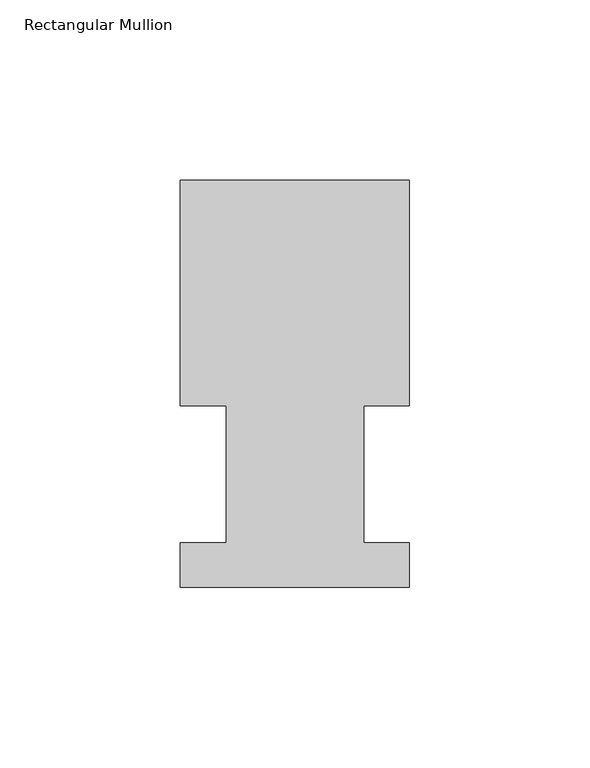
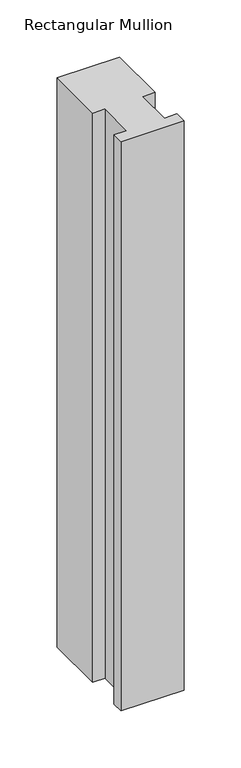
"""IFC4 building model written with IfcOpenShell, lengths in millimetres: member geometry, Rectangular Mullion."""

import ifcopenshell
import ifcopenshell.guid

model = None  # the IFC model being written
_history = None  # IfcOwnerHistory: only IFC2X3 demands one
_inside = {}  # id of a spatial element -> (the spatial element, [elements in it])
_under = {}  # id of a project, library or spatial element -> (it, [spatial elements below it])
_declared = {}  # id of a project -> (the project, [libraries it declares])
_typed = {}  # id of a type object -> (the type object, [elements of that type])
_made_of = {}  # id of a material, layer set ... -> (it, [elements and type objects made of it])


def new_model(schema):
    """Start an empty IFC model of exactly this schema.

    Asked for "IFC4X3", IfcOpenShell would pick the latest addendum, in which some entities
    have other attributes; the version numbers below select the first issue.
    IFC2X3 requires an IfcOwnerHistory on every rooted entity: one is made here for all.
    """
    global model, _history
    if schema == "IFC4X3":
        model = ifcopenshell.file(schema_version=(4, 3, 0, 0))
    else:
        model = ifcopenshell.file(schema=schema)
    _inside.clear()
    _under.clear()
    _declared.clear()
    _typed.clear()
    _made_of.clear()
    _history = None
    if model.schema == "IFC2X3":
        org = make("IfcOrganization", Name="unknown")
        user = make(
            "IfcPersonAndOrganization",
            ThePerson=make("IfcPerson", FamilyName="unknown"),
            TheOrganization=org,
        )
        app = make(
            "IfcApplication",
            ApplicationDeveloper=org,
            Version="unknown",
            ApplicationFullName="unknown",
            ApplicationIdentifier="unknown",
        )
        _history = make(
            "IfcOwnerHistory",
            OwningUser=user,
            OwningApplication=app,
            ChangeAction="ADDED",
            CreationDate=0,
        )
    return model


def make(cls, **values):
    """One entity of the class cls with the attributes given. An attribute that is None is left unset."""
    return model.create_entity(
        cls, **{name: value for name, value in values.items() if value is not None}
    )


def rooted(cls, **values):
    """An entity with a GlobalId (a new one), such as an element, a storey or a relation."""
    return make(cls, GlobalId=ifcopenshell.guid.new(), OwnerHistory=_history, **values)


def si_unit(unit_type, name, prefix=None):
    """IfcSIUnit, for example si_unit("LENGTHUNIT", "METRE", prefix="MILLI")."""
    return make("IfcSIUnit", UnitType=unit_type, Prefix=prefix, Name=name)


def assignment(units):
    """IfcUnitAssignment: the units of a project."""
    return None if units is None else make("IfcUnitAssignment", Units=units)


def point(xyz):
    """IfcCartesianPoint."""
    return None if xyz is None else make("IfcCartesianPoint", Coordinates=xyz)


def direction(xyz):
    """IfcDirection."""
    return None if xyz is None else make("IfcDirection", DirectionRatios=xyz)


def frame(location, z_axis=None, x_axis=None):
    """IfcAxis2Placement3D, a coordinate frame: its origin and axes. An axis left out is left unset."""
    return make(
        "IfcAxis2Placement3D",
        Location=point(location),
        Axis=direction(z_axis),
        RefDirection=direction(x_axis),
    )


def origin():
    """The frame at (0, 0, 0) with its axes left unset."""
    return frame((0.0, 0.0, 0.0))


def place(relative_to, where):
    """IfcLocalPlacement: puts the frame where relative to a parent placement (None: the world)."""
    return make(
        "IfcLocalPlacement", PlacementRelTo=relative_to, RelativePlacement=where
    )


def context(
    kind, dimensions, precision=None, world=None, true_north=None, identifier=None
):
    """IfcGeometricRepresentationContext, for example the 3D "Model" context."""
    return make(
        "IfcGeometricRepresentationContext",
        ContextIdentifier=identifier,
        ContextType=kind,
        CoordinateSpaceDimension=dimensions,
        Precision=precision,
        WorldCoordinateSystem=world,
        TrueNorth=true_north,
    )


def project(units=None, contexts=None):
    """IfcProject with its units and contexts."""
    return rooted(
        "IfcProject",
        Name="project",
        RepresentationContexts=contexts,
        UnitsInContext=assignment(units),
    )


def spatial(cls, under=None, at=None, **own):
    """A site, building, storey or space (cls), placed at a placement, below another one or the project."""
    s = rooted(cls, ObjectPlacement=at, **own)
    if under is not None:
        _under.setdefault(under.id(), (under, []))[1].append(s)
    return s


def polyline(points):
    """IfcPolyline through the points."""
    return make("IfcPolyline", Points=[point(p) for p in points])


def outline(outer, holes=None, kind="AREA"):
    """IfcArbitraryClosedProfileDef: a profile drawn as a closed curve; with holes, ...WithVoids."""
    if holes is None:
        return make("IfcArbitraryClosedProfileDef", ProfileType=kind, OuterCurve=outer)
    return make(
        "IfcArbitraryProfileDefWithVoids",
        ProfileType=kind,
        OuterCurve=outer,
        InnerCurves=holes,
    )


def extrude(swept, where, along, depth):
    """IfcExtrudedAreaSolid: the profile swept, set in the frame where, extruded along a direction by depth."""
    return make(
        "IfcExtrudedAreaSolid",
        SweptArea=swept,
        Position=where,
        ExtrudedDirection=direction(along),
        Depth=depth,
    )


def shape(context_of_items, identifier, shape_type, items):
    """IfcShapeRepresentation: the items that make up one representation, for example the "Body"."""
    return make(
        "IfcShapeRepresentation",
        ContextOfItems=context_of_items,
        RepresentationIdentifier=identifier,
        RepresentationType=shape_type,
        Items=items,
    )


def source(mapping_origin, context_of_items, identifier, shape_type, items):
    """IfcRepresentationMap: a shape defined once, which mapped items show again and again."""
    return make(
        "IfcRepresentationMap",
        MappingOrigin=mapping_origin,
        MappedRepresentation=shape(context_of_items, identifier, shape_type, items),
    )


def transform(
    local_origin,
    x_axis=None,
    y_axis=None,
    z_axis=None,
    scale=None,
    scale2=None,
    scale3=None,
    uniform=True,
):
    """IfcCartesianTransformationOperator3D, or its non-uniform kind. x_axis, y_axis, z_axis: its Axis1, 2, 3."""
    if uniform:
        return make(
            "IfcCartesianTransformationOperator3D",
            Axis1=direction(x_axis),
            Axis2=direction(y_axis),
            LocalOrigin=point(local_origin),
            Scale=scale,
            Axis3=direction(z_axis),
        )
    return make(
        "IfcCartesianTransformationOperator3DnonUniform",
        Axis1=direction(x_axis),
        Axis2=direction(y_axis),
        LocalOrigin=point(local_origin),
        Scale=scale,
        Axis3=direction(z_axis),
        Scale2=scale2,
        Scale3=scale3,
    )


def mapped(mapping_source, mapping_target):
    """IfcMappedItem: shows the shape of a source again, moved by a transform."""
    return make(
        "IfcMappedItem", MappingSource=mapping_source, MappingTarget=mapping_target
    )


def made_of(thing, what):
    """Note that an element or type object is made of a material, layer set ...; save() writes the relation."""
    if what is not None:
        _made_of.setdefault(what.id(), (what, []))[1].append(thing)
    return thing


def element(
    cls,
    number,
    at=None,
    inside=None,
    cuts=None,
    type_object=None,
    material=None,
    context=None,
    identifier="Body",
    shape_type=None,
    held_by="IfcProductDefinitionShape",
    body=None,
    shapes=None,
    **own,
):
    """One element of the class cls, such as IfcWall. Its Tag is "e" and its number.

    at: its placement. inside: the storey or other place that contains it. cuts: it is an
    opening in that element (IfcRelVoidsElement). A single representation is given by context,
    identifier, shape_type and body (its items); several are given by shapes. held_by: the class
    of the entity that holds the representations. save() writes the other relations.
    """
    e = rooted(cls, Tag="e%d" % number, ObjectPlacement=at, **own)
    if body is not None:
        shapes = [shape(context, identifier, shape_type, body)]
    if shapes is not None:
        e.Representation = make(held_by, Representations=shapes)
    if inside is not None:
        _inside.setdefault(inside.id(), (inside, []))[1].append(e)
    if cuts is not None:
        rooted(
            "IfcRelVoidsElement", RelatingBuildingElement=cuts, RelatedOpeningElement=e
        )
    if type_object is not None:
        _typed.setdefault(type_object.id(), (type_object, []))[1].append(e)
    return made_of(e, material)


def aggregate(whole, parts):
    """IfcRelAggregates: a whole, such as a stair, and the parts it consists of."""
    return rooted("IfcRelAggregates", RelatingObject=whole, RelatedObjects=parts)


def save(model, path):
    """Write the relations noted so far, then the file.

    IfcRelAggregates (storeys below a building ...), IfcRelContainedInSpatialStructure (elements
    in a storey), IfcRelDefinesByType, IfcRelAssociatesMaterial and IfcRelDeclares: one each for
    every whole, place, type object, material and project.
    """
    for whole, parts in _under.values():
        aggregate(whole, parts)
    for where, things in _inside.values():
        rooted(
            "IfcRelContainedInSpatialStructure",
            RelatedElements=things,
            RelatingStructure=where,
        )
    for kind, things in _typed.values():
        rooted("IfcRelDefinesByType", RelatedObjects=things, RelatingType=kind)
    for what, things in _made_of.values():
        rooted("IfcRelAssociatesMaterial", RelatedObjects=things, RelatingMaterial=what)
    for by, libraries in _declared.values():
        rooted("IfcRelDeclares", RelatingContext=by, RelatedDefinitions=libraries)
    model.write(path)


def rectangular_mullion_47722aad(model_context):
    return source(origin(), model_context, "Body", "SweptSolid", [
        extrude(outline(polyline([(-63.5368106, 52.5859375), (-63.5368106, 115.0699375), (0.0, 115.0699375), (0.0, 52.5859375), (-12.602764, 52.5859375), (-12.602764, 14.4858895), (0.0, 14.4858895), (0.0, 2.1909696), (-63.5, 2.1909696), (-63.5, 14.4859413), (-50.7405803, 14.4859413), (-50.7405803, 52.5859375), (-63.5368106, 52.5859375)])), frame((0.0, 0.0, -609.6), z_axis=(0.0, 0.0, 1.0), x_axis=(1.0, 0.0, 0.0)), (0.0, 0.0, 1.0), 609.6),
    ])


if __name__ == "__main__":
    model = new_model("IFC4")
    model_context = context("Model", 3, world=origin())
    ifc_project = project(units=[si_unit("LENGTHUNIT", "METRE", prefix="MILLI")], contexts=[model_context])
    site = spatial("IfcSite", under=ifc_project)
    building = spatial("IfcBuilding", under=site)
    placement = place(None, origin())
    rectangular_mullion_shape = rectangular_mullion_47722aad(model_context)
    element("IfcMember", 1, ObjectType="Rectangular Mullion", at=placement, inside=building, context=model_context, shape_type="MappedRepresentation", body=[
        mapped(rectangular_mullion_shape, transform((0.0, 0.0, 0.0), x_axis=(1.0, 0.0, 0.0), y_axis=(0.0, 1.0, 0.0), z_axis=(0.0, 0.0, 1.0))),
    ])
    save(model, "model.ifc")
